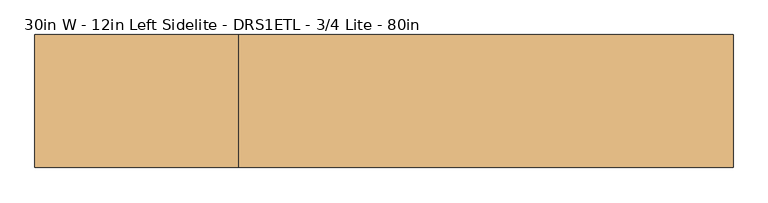
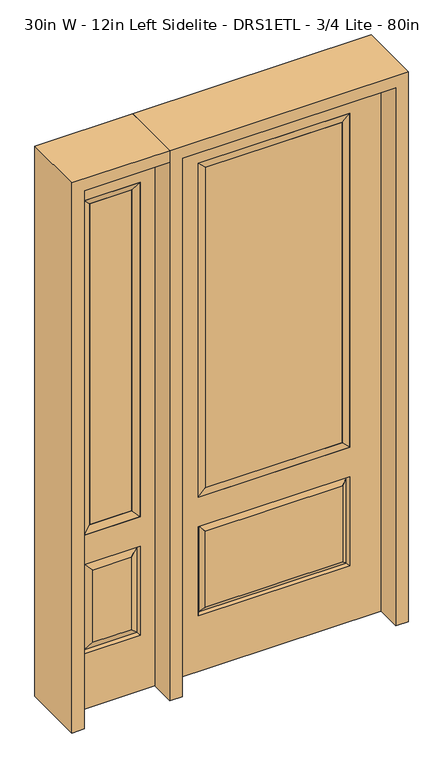
"""IFC4 building model written with IfcOpenShell, lengths in millimetres: door geometry, 30in W - 12in Left Sidelite - DRS1ETL - 3/4 Lite - 80in."""

from ifc_helpers import new_model, si_unit, frame, origin, place, context, project, spatial, polyline, outline, extrude, faceted_brep, source, transform, mapped, element, save


def door_30in_w_12in_left_sidelite_drs1etl_3_4_lite_80in_ece25748(model_context):
    return source(origin(), model_context, "Body", "SolidModel", [
        faceted_brep([(-730.25, -22.225, 0.0), (-425.45, -22.225, 0.0), (-425.45, -22.225, 2032.0), (-730.25, -22.225, 2032.0), (-477.52, -22.225, 1919.224), (-477.52, -22.225, 657.098), (-678.18, -22.225, 657.098), (-678.18, -22.225, 1919.224), (-477.52, -22.225, 209.55), (-678.18, -22.225, 209.55), (-678.18, -22.225, 546.1), (-477.52, -22.225, 546.1), (-646.4648999, -22.225, 241.2651001), (-509.2351001, -22.225, 241.2651001), (-509.2351001, -22.225, 514.3848999), (-646.4648999, -22.225, 514.3848999), (-730.25, 22.225, 0.0), (-730.25, 22.225, 2032.0), (-425.45, 22.225, 2032.0), (-425.45, 22.225, 0.0), (-477.52, 22.225, 1919.224), (-678.18, 22.225, 1919.224), (-678.18, 22.225, 657.098), (-477.52, 22.225, 657.098), (-678.18, 22.225, 209.55), (-477.52, 22.225, 209.55), (-477.52, 22.225, 546.1), (-678.18, 22.225, 546.1), (-509.2351001, 22.225, 241.2651001), (-646.4648999, 22.225, 241.2651001), (-646.4648999, 22.225, 514.3848999), (-509.2351001, 22.225, 514.3848999), (-484.6288501, 12.7912373, 216.6588501), (-671.0711499, 12.7912373, 216.6588501), (-671.0711499, 12.7912373, 538.9911499), (-484.6288501, 12.7912373, 538.9911499), (-671.0711499, -12.7912373, 216.6588501), (-484.6288501, -12.7912373, 216.6588501), (-671.0711499, -12.7912373, 538.9911499), (-484.6288501, -12.7912373, 538.9911499)], [[[0, 1, 2, 3], [4, 5, 6, 7], [8, 9, 10, 11]], [[12, 13, 14, 15]], [[16, 17, 18, 19], [20, 21, 22, 23], [24, 25, 26, 27]], [[28, 29, 30, 31]], [[1, 0, 16, 19]], [[2, 1, 19, 18]], [[3, 2, 18, 17]], [[0, 3, 17, 16]], [[5, 4, 20, 23]], [[6, 5, 23, 22]], [[7, 6, 22, 21]], [[4, 7, 21, 20]], [[32, 33, 29, 28]], [[33, 32, 25, 24]], [[29, 33, 34, 30]], [[33, 24, 27, 34]], [[30, 34, 35, 31]], [[34, 27, 26, 35]], [[32, 28, 31, 35]], [[25, 32, 35, 26]], [[12, 36, 37, 13]], [[37, 36, 9, 8]], [[36, 12, 15, 38]], [[9, 36, 38, 10]], [[38, 15, 14, 39]], [[10, 38, 39, 11]], [[13, 37, 39, 14]], [[37, 8, 11, 39]]]),
        faceted_brep([(-678.18, 22.225, 1919.224), (-678.18, -22.225, 1919.224), (-477.52, -22.225, 1919.224), (-477.52, 22.225, 1919.224), (-652.78, 12.7, 1893.824), (-502.92, 12.7, 1893.824), (-652.78, -12.7, 1893.824), (-502.92, -12.7, 1893.824), (-477.52, -22.225, 657.098), (-477.52, 22.225, 657.098), (-502.92, 12.7, 682.498), (-502.92, -12.7, 682.498), (-678.18, -22.225, 657.098), (-678.18, 22.225, 657.098), (-652.78, 12.7, 682.498), (-652.78, -12.7, 682.498)], [[[0, 1, 2, 3]], [[4, 0, 3, 5]], [[6, 4, 5, 7]], [[1, 6, 7, 2]], [[3, 2, 8, 9]], [[5, 3, 9, 10]], [[7, 5, 10, 11]], [[2, 7, 11, 8]], [[9, 8, 12, 13]], [[10, 9, 13, 14]], [[11, 10, 14, 15]], [[8, 11, 15, 12]], [[13, 12, 1, 0]], [[14, 13, 0, 4]], [[15, 14, 4, 6]], [[12, 15, 6, 1]]]),
        extrude(outline(polyline([(-502.92, -12.7), (-652.78, -12.7), (-652.78, 12.7), (-502.92, 12.7), (-502.92, -12.7)])), frame((0.0, 0.0, 682.498), z_axis=(0.0, 0.0, 1.0), x_axis=(1.0, 0.0, 0.0)), (0.0, 0.0, 1.0), 1211.326),
        faceted_brep([(-262.7661499, -12.7912373, 216.6588501), (262.7661499, -12.7912373, 216.6588501), (245.26875, -22.225, 234.15625), (-245.26875, -22.225, 234.15625), (-269.875, -22.225, 209.55), (269.875, -22.225, 209.55), (-262.7661499, -12.7912373, 538.9911499), (-269.875, -22.225, 546.1), (245.26875, -22.225, 521.49375), (-245.26875, -22.225, 521.49375), (381.0, -22.225, 2032.0), (-381.0, -22.225, 2032.0), (-381.0, -22.225, 0.0), (381.0, -22.225, 0.0), (269.875, -22.225, 546.1), (269.875, -22.225, 1917.7), (269.875, -22.225, 657.098), (-269.875, -22.225, 657.098), (-269.875, -22.225, 1917.7), (262.7661499, -12.7912373, 538.9911499), (-381.0, 22.225, 2032.0), (-381.0, 22.225, 0.0), (381.0, 22.225, 0.0), (381.0, 22.225, 2032.0), (269.875, 22.225, 1917.7), (269.875, 22.225, 657.098), (-269.875, 22.225, 657.098), (-269.875, 22.225, 1917.7), (-269.875, 22.225, 209.55), (269.875, 22.225, 209.55), (269.875, 22.225, 546.1), (-269.875, 22.225, 546.1), (245.26875, 22.225, 234.15625), (-245.26875, 22.225, 234.15625), (-245.26875, 22.225, 521.49375), (245.26875, 22.225, 521.49375), (-262.7661499, 12.7912373, 216.6588501), (262.7661499, 12.7912373, 216.6588501), (262.7661499, 12.7912373, 538.9911499), (-262.7661499, 12.7912373, 538.9911499)], [[[0, 1, 2, 3]], [[1, 0, 4, 5]], [[4, 0, 6, 7]], [[3, 2, 8, 9]], [[10, 11, 12, 13], [5, 4, 7, 14], [15, 16, 17, 18]], [[1, 5, 14, 19]], [[2, 1, 19, 8]], [[0, 3, 9, 6]], [[7, 6, 19, 14]], [[6, 9, 8, 19]], [[12, 11, 20, 21]], [[13, 12, 21, 22]], [[10, 13, 22, 23]], [[16, 15, 24, 25]], [[17, 16, 25, 26]], [[18, 17, 26, 27]], [[23, 22, 21, 20], [28, 29, 30, 31], [24, 27, 26, 25]], [[32, 33, 34, 35]], [[28, 36, 37, 29]], [[29, 37, 38, 30]], [[39, 31, 30, 38]], [[36, 28, 31, 39]], [[37, 36, 33, 32]], [[33, 36, 39, 34]], [[34, 39, 38, 35]], [[37, 32, 35, 38]], [[11, 10, 23, 20]], [[15, 18, 27, 24]]]),
        faceted_brep([(-269.875, -22.225, 1917.7), (-269.875, 22.225, 1917.7), (-269.875, 22.225, 657.098), (-269.875, -22.225, 657.098), (269.875, 22.225, 657.098), (269.875, -22.225, 657.098), (-244.475, 5.08, 682.498), (244.475, 5.08, 682.498), (269.875, 22.225, 1917.7), (269.875, -22.225, 1917.7), (-244.475, -20.32, 682.498), (244.475, -20.32, 682.498), (-244.475, -20.32, 1892.3), (244.475, -20.32, 1892.3), (-244.475, 5.08, 1892.3), (244.475, 5.08, 1892.3)], [[[0, 1, 2, 3]], [[3, 2, 4, 5]], [[2, 6, 7, 4]], [[5, 4, 8, 9]], [[10, 3, 5, 11]], [[12, 0, 3, 10]], [[11, 5, 9, 13]], [[6, 10, 11, 7]], [[14, 12, 10, 6]], [[7, 11, 13, 15]], [[1, 14, 6, 2]], [[4, 7, 15, 8]], [[9, 8, 1, 0]], [[13, 9, 0, 12]], [[15, 13, 12, 14]], [[8, 15, 14, 1]]]),
        extrude(outline(polyline([(244.475, -20.32), (-244.475, -20.32), (-244.475, 5.08), (244.475, 5.08), (244.475, -20.32)])), frame((0.0, 0.0, 682.498), z_axis=(0.0, 0.0, 1.0), x_axis=(1.0, 0.0, 0.0)), (0.0, 0.0, 1.0), 1209.802),
        extrude(outline(polyline([(2032.0, -425.45), (2076.45, -425.45), (2076.45, -774.7), (0.0, -774.7), (0.0, -730.25), (2032.0, -730.25), (2032.0, -425.45)])), frame((0.0, -114.3, 0.0), z_axis=(0.0, 1.0, 0.0), x_axis=(0.0, 0.0, 1.0)), (0.0, 0.0, 1.0), 228.6),
        extrude(outline(polyline([(2076.45, -425.45), (0.0, -425.45), (0.0, -381.0), (2032.0, -381.0), (2032.0, 381.0), (0.0, 381.0), (0.0, 425.45), (2076.45, 425.45), (2076.45, -425.45)])), frame((0.0, -114.3, 0.0), z_axis=(0.0, 1.0, 0.0), x_axis=(0.0, 0.0, 1.0)), (0.0, 0.0, 1.0), 228.6),
    ])


if __name__ == "__main__":
    model = new_model("IFC4")
    model_context = context("Model", 3, world=origin())
    ifc_project = project(units=[si_unit("LENGTHUNIT", "METRE", prefix="MILLI")], contexts=[model_context])
    site = spatial("IfcSite", under=ifc_project)
    building = spatial("IfcBuilding", under=site)
    placement = place(None, origin())
    door_30in_w_12in_left_sidelite_drs1etl_3_4_lite_80in_shape = door_30in_w_12in_left_sidelite_drs1etl_3_4_lite_80in_ece25748(model_context)
    element("IfcDoor", 1, ObjectType="30in W - 12in Left Sidelite - DRS1ETL - 3/4 Lite - 80in", at=placement, inside=building, context=model_context, shape_type="MappedRepresentation", body=[
        mapped(door_30in_w_12in_left_sidelite_drs1etl_3_4_lite_80in_shape, transform((0.0, 0.0, 0.0), x_axis=(1.0, 0.0, 0.0), y_axis=(0.0, 1.0, 0.0), z_axis=(0.0, 0.0, 1.0))),
    ])
    save(model, "model.ifc")
